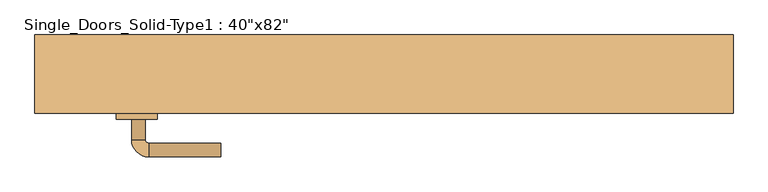
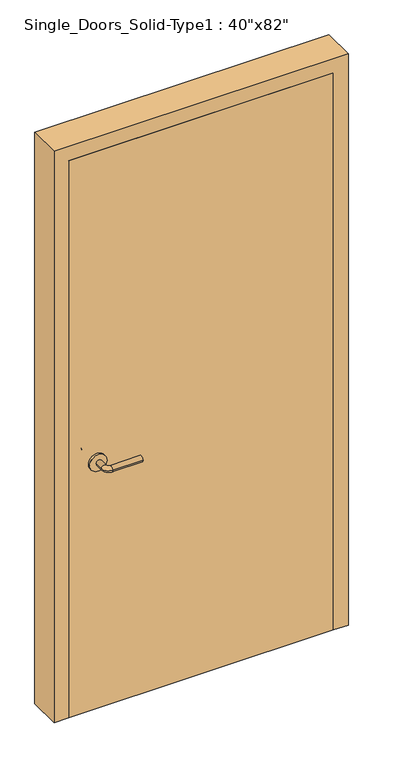
"""IFC4 building model written with IfcOpenShell, lengths in millimetres: door geometry."""

from ifc_helpers import new_model, si_unit, point, frame, frame_2d, origin, origin_with_axes, place, context, project, spatial, polyline, circle_curve, ellipse_curve, trimmed, segment, composite_curve, outline, extrude, faceted_brep, source, transform, mapped, element, save
from ifc_brep_helpers import plane_surface, cylinder_surface, revolved_surface, advanced_brep


def door_e9630913(model_context):
    return source(origin(), model_context, "Body", "SolidModel", [
        advanced_brep(
        [(-367.2, -11.05, 900.0), (-347.2, -11.05, 900.0), (-367.2, 18.95, 900.0), (-347.2, 18.95, 900.0), (-342.2, 23.95, 900.0), (-342.2, 43.95, 900.0), (-237.2, 43.95, 900.0), (-237.2, 23.95, 900.0)],
        [
            (0, 1, circle_curve(frame((-357.2, -11.05, 900.0), z_axis=(0.0, -1.0, 0.0), x_axis=(1.0, 0.0, 0.0)), 10.0)),
            (1, 0, circle_curve(frame((-357.2, -11.05, 900.0), z_axis=(0.0, -1.0, 0.0), x_axis=(1.0, 0.0, 0.0)), 10.0)),
            (0, 2),
            (2, 3, circle_curve(frame((-357.2, 18.95, 900.0), z_axis=(0.0, -1.0, 0.0), x_axis=(1.0, 0.0, 0.0)), 10.0)),
            (3, 1),
            (3, 2, circle_curve(frame((-357.2, 18.95, 900.0), z_axis=(0.0, -1.0, 0.0), x_axis=(1.0, 0.0, 0.0)), 10.0)),
            (4, 3, circle_curve(frame((-342.2, 18.95, 900.0), z_axis=(0.0, 0.0, 1.0), x_axis=(-1.0, 0.0, 0.0)), 5.0)),
            (2, 5, circle_curve(frame((-342.2, 18.95, 900.0), z_axis=(0.0, 0.0, -1.0), x_axis=(-1.0, 0.0, 0.0)), 25.0)),
            (5, 4, circle_curve(frame((-342.2, 33.95, 900.0), z_axis=(-1.0, 0.0, 0.0), x_axis=(0.0, -1.0, 0.0)), 10.0)),
            (4, 5, circle_curve(frame((-342.2, 33.95, 900.0), z_axis=(-1.0, 0.0, 0.0), x_axis=(0.0, -1.0, 0.0)), 10.0)),
            (6, 7, circle_curve(frame((-237.2, 33.95, 900.0), z_axis=(1.0, 0.0, 0.0), x_axis=(0.0, -1.0, 0.0)), 10.0)),
            (7, 6, circle_curve(frame((-237.2, 33.95, 900.0), z_axis=(1.0, 0.0, 0.0), x_axis=(0.0, -1.0, 0.0)), 10.0)),
            (5, 6),
            (7, 4),
        ],
        [
            plane_surface(frame((-357.2, -11.05, 900.0), z_axis=(0.0, -1.0, 0.0), x_axis=(0.0, 0.0, 1.0))),
            cylinder_surface(frame((-357.2, -11.05, 900.0), z_axis=(0.0, -1.0, 0.0), x_axis=(1.0, 0.0, 0.0)), 10.0),
            revolved_surface(trimmed(ellipse_curve(frame((-357.2, 18.95, 900.0), z_axis=(0.0, -1.0, 0.0), x_axis=(1.0, 0.0, 0.0)), 10.0, 10.0), [point((-367.2, 18.95, 900.0))], [point((-347.2, 18.95, 900.0))], True, "CARTESIAN"), (-342.2, 18.95, 900.0), (0.0, 0.0, -1.0)),
            revolved_surface(trimmed(ellipse_curve(frame((-357.2, 18.95, 900.0), z_axis=(0.0, -1.0, 0.0), x_axis=(1.0, 0.0, 0.0)), 10.0, 10.0), [point((-347.2, 18.95, 900.0))], [point((-367.2, 18.95, 900.0))], True, "CARTESIAN"), (-342.2, 18.95, 900.0), (0.0, 0.0, -1.0)),
            plane_surface(frame((-237.2, 33.95, 900.0), z_axis=(1.0, 0.0, 0.0), x_axis=(0.0, 0.0, 1.0))),
            cylinder_surface(frame((-342.2, 33.95, 900.0), z_axis=(-1.0, 0.0, 0.0), x_axis=(0.0, -1.0, 0.0)), 10.0),
        ],
        [
            (0, [[1, 2]]),
            (1, [[-1, 3, 4, 5]]),
            (1, [[-2, -5, 6, -3]]),
            (2, [[7, -4, 8, 9]]),
            (3, [[-8, -6, -7, 10]]),
            (4, [[11, 12]]),
            (5, [[-9, 13, -12, 14]]),
            (5, [[-10, -14, -11, -13]]),
        ],
    ),
        extrude(outline(composite_curve([segment(trimmed(circle_curve(frame_2d((900.0, -359.7)), 30.0), [point((900.0, -389.7))], [point((900.0, -329.7))], False, "CARTESIAN"), True, "CONTINUOUS"), segment(trimmed(circle_curve(frame_2d((900.0, -359.7)), 30.0), [point((900.0, -329.7))], [point((900.0, -389.7))], False, "CARTESIAN"), True, "CONTINUOUS")], self_intersect=False)), frame((0.0, -19.05, 0.0), z_axis=(0.0, 1.0, 0.0), x_axis=(0.0, 0.0, 1.0)), (0.0, 0.0, 1.0), 8.0),
        advanced_brep(
        [(-367.2, -65.15, 900.0), (-347.2, -65.15, 900.0), (-347.2, -95.15, 900.0), (-367.2, -95.15, 900.0), (-342.2, -100.15, 900.0), (-342.2, -120.15, 900.0), (-237.2, -120.15, 900.0), (-237.2, -100.15, 900.0)],
        [
            (0, 1, circle_curve(frame((-357.2, -65.15, 900.0), z_axis=(0.0, 1.0, 0.0), x_axis=(1.0, 0.0, 0.0)), 10.0)),
            (1, 0, circle_curve(frame((-357.2, -65.15, 900.0), z_axis=(0.0, 1.0, 0.0), x_axis=(1.0, 0.0, 0.0)), 10.0)),
            (1, 2),
            (2, 3, circle_curve(frame((-357.2, -95.15, 900.0), z_axis=(0.0, 1.0, 0.0), x_axis=(1.0, 0.0, 0.0)), 10.0)),
            (3, 0),
            (3, 2, circle_curve(frame((-357.2, -95.15, 900.0), z_axis=(0.0, 1.0, 0.0), x_axis=(1.0, 0.0, 0.0)), 10.0)),
            (4, 5, circle_curve(frame((-342.2, -110.15, 900.0), z_axis=(-1.0, 0.0, 0.0), x_axis=(0.0, 1.0, 0.0)), 10.0)),
            (5, 3, circle_curve(frame((-342.2, -95.15, 900.0), z_axis=(0.0, 0.0, -1.0), x_axis=(-1.0, 0.0, 0.0)), 25.0)),
            (2, 4, circle_curve(frame((-342.2, -95.15, 900.0), z_axis=(0.0, 0.0, 1.0), x_axis=(-1.0, 0.0, 0.0)), 5.0)),
            (5, 4, circle_curve(frame((-342.2, -110.15, 900.0), z_axis=(-1.0, 0.0, 0.0), x_axis=(0.0, 1.0, 0.0)), 10.0)),
            (6, 7, circle_curve(frame((-237.2, -110.15, 900.0), z_axis=(1.0, 0.0, 0.0), x_axis=(0.0, 1.0, 0.0)), 10.0)),
            (7, 6, circle_curve(frame((-237.2, -110.15, 900.0), z_axis=(1.0, 0.0, 0.0), x_axis=(0.0, 1.0, 0.0)), 10.0)),
            (4, 7),
            (6, 5),
        ],
        [
            plane_surface(frame((-357.2, -65.15, 900.0), z_axis=(0.0, 1.0, 0.0), x_axis=(0.0, 0.0, 1.0))),
            cylinder_surface(frame((-357.2, -65.15, 900.0), z_axis=(0.0, 1.0, 0.0), x_axis=(1.0, 0.0, 0.0)), 10.0),
            revolved_surface(trimmed(ellipse_curve(frame((-357.2, -95.15, 900.0), z_axis=(0.0, -1.0, 0.0), x_axis=(1.0, 0.0, 0.0)), 10.0, 10.0), [point((-367.2, -95.15, 900.0))], [point((-347.2, -95.15, 900.0))], True, "CARTESIAN"), (-342.2, -95.15, 900.0), (0.0, 0.0, -1.0)),
            revolved_surface(trimmed(ellipse_curve(frame((-357.2, -95.15, 900.0), z_axis=(0.0, -1.0, 0.0), x_axis=(1.0, 0.0, 0.0)), 10.0, 10.0), [point((-347.2, -95.15, 900.0))], [point((-367.2, -95.15, 900.0))], True, "CARTESIAN"), (-342.2, -95.15, 900.0), (0.0, 0.0, -1.0)),
            plane_surface(frame((-237.2, -110.15, 900.0), z_axis=(1.0, 0.0, 0.0), x_axis=(0.0, 0.0, 1.0))),
            cylinder_surface(frame((-342.2, -110.15, 900.0), z_axis=(-1.0, 0.0, 0.0), x_axis=(0.0, 1.0, 0.0)), 10.0),
        ],
        [
            (0, [[1, 2]]),
            (1, [[3, 4, 5, -2]]),
            (1, [[-5, 6, -3, -1]]),
            (2, [[7, 8, -4, 9]]),
            (3, [[10, -9, -6, -8]]),
            (4, [[11, 12]]),
            (5, [[13, -11, 14, -7]]),
            (5, [[-14, -12, -13, -10]]),
        ],
    ),
        extrude(outline(composite_curve([segment(trimmed(circle_curve(frame_2d((900.0, -359.7)), 30.0), [point((900.0, -389.7))], [point((900.0, -329.7))], False, "CARTESIAN"), True, "CONTINUOUS"), segment(trimmed(circle_curve(frame_2d((900.0, -359.7)), 30.0), [point((900.0, -329.7))], [point((900.0, -389.7))], False, "CARTESIAN"), True, "CONTINUOUS")], self_intersect=False)), frame((0.0, -65.15, 0.0), z_axis=(0.0, 1.0, 0.0), x_axis=(0.0, 0.0, 1.0)), (0.0, 0.0, 1.0), 8.0),
        faceted_brep([(-508.0, 57.15, 0.0), (-457.2, 57.15, 0.0), (-457.2, 44.45, 0.0), (-444.5, 44.45, 0.0), (-444.5, -19.05, 0.0), (-457.2, -19.05, 0.0), (-457.2, -57.15, 0.0), (-508.0, -57.15, 0.0), (-508.0, -57.15, 2082.8), (-508.0, 57.15, 2082.8), (-457.2, -57.15, 2032.0), (457.2, -57.15, 2032.0), (457.2, -57.15, 0.0), (508.0, -57.15, 0.0), (508.0, -57.15, 2082.8), (-457.2, -19.05, 2032.0), (-444.5, -19.05, 2019.3), (444.5, -19.05, 2019.3), (444.5, -19.05, 0.0), (457.2, -19.05, 0.0), (457.2, -19.05, 2032.0), (-444.5, 44.45, 2019.3), (-457.2, 44.45, 2032.0), (457.2, 44.45, 2032.0), (457.2, 44.45, 0.0), (444.5, 44.45, 0.0), (444.5, 44.45, 2019.3), (-457.2, 57.15, 2032.0), (508.0, 57.15, 2082.8), (508.0, 57.15, 0.0), (457.2, 57.15, 0.0), (457.2, 57.15, 2032.0)], [[[0, 1, 2, 3, 4, 5, 6, 7]], [[7, 8, 9, 0]], [[6, 10, 11, 12, 13, 14, 8, 7]], [[5, 15, 10, 6]], [[4, 16, 17, 18, 19, 20, 15, 5]], [[3, 21, 16, 4]], [[2, 22, 23, 24, 25, 26, 21, 3]], [[1, 27, 22, 2]], [[0, 9, 28, 29, 30, 31, 27, 1]], [[14, 13, 29, 28]], [[29, 13, 12, 19, 18, 25, 24, 30]], [[20, 19, 12, 11]], [[26, 25, 18, 17]], [[31, 30, 24, 23]], [[8, 14, 28, 9]], [[15, 20, 11, 10]], [[21, 26, 17, 16]], [[27, 31, 23, 22]]]),
        extrude(outline(polyline([(457.2, -19.05), (457.2, -57.15), (-457.2, -57.15), (-457.2, -19.05), (457.2, -19.05)])), origin_with_axes(), (0.0, 0.0, 1.0), 2032.0),
    ])


if __name__ == "__main__":
    model = new_model("IFC4")
    model_context = context("Model", 3, world=origin())
    ifc_project = project(units=[si_unit("LENGTHUNIT", "METRE", prefix="MILLI")], contexts=[model_context])
    site = spatial("IfcSite", under=ifc_project)
    building = spatial("IfcBuilding", under=site)
    placement = place(None, origin())
    door_shape = door_e9630913(model_context)
    element("IfcDoor", 1, ObjectType="Single_Doors_Solid-Type1 : 40\"x82\"", at=placement, inside=building, context=model_context, shape_type="MappedRepresentation", body=[
        mapped(door_shape, transform((0.0, 0.0, 0.0), x_axis=(1.0, 0.0, 0.0), y_axis=(0.0, 1.0, 0.0), z_axis=(0.0, 0.0, 1.0))),
    ])
    save(model, "model.ifc")
